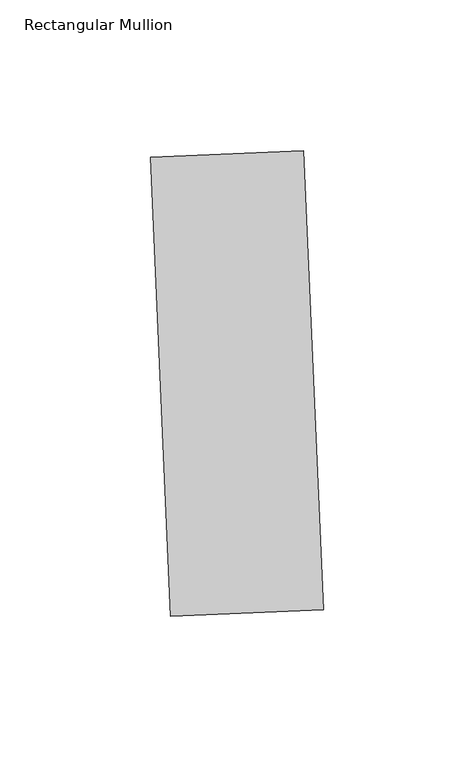
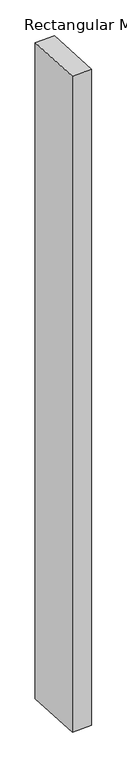
"""IFC4 building model written with IfcOpenShell, lengths in millimetres: member geometry, Rectangular Mullion."""

from ifc_helpers import new_model, si_unit, frame, origin, place, context, project, spatial, polyline, outline, extrude, source, transform, mapped, element, save


def rectangular_mullion_c6cbc346(model_context):
    return source(origin(), model_context, "Body", "SweptSolid", [
        extrude(outline(polyline([(30.7769955, -113.0742136), (-19.9746542, -115.2900785), (-26.6222488, 36.9648705), (24.1294008, 39.1807354), (30.7769955, -113.0742136)])), frame((0.0, 0.0, -1765.3), z_axis=(0.0, 0.0, 1.0), x_axis=(1.0, 0.0, 0.0)), (0.0, 0.0, 1.0), 1765.3),
    ])


if __name__ == "__main__":
    model = new_model("IFC4")
    model_context = context("Model", 3, world=origin())
    ifc_project = project(units=[si_unit("LENGTHUNIT", "METRE", prefix="MILLI")], contexts=[model_context])
    site = spatial("IfcSite", under=ifc_project)
    building = spatial("IfcBuilding", under=site)
    placement = place(None, origin())
    rectangular_mullion_shape = rectangular_mullion_c6cbc346(model_context)
    element("IfcMember", 1, ObjectType="Rectangular Mullion", at=placement, inside=building, context=model_context, shape_type="MappedRepresentation", body=[
        mapped(rectangular_mullion_shape, transform((0.0, 0.0, 0.0), x_axis=(1.0, 0.0, 0.0), y_axis=(0.0, 1.0, 0.0), z_axis=(0.0, 0.0, 1.0))),
    ])
    save(model, "model.ifc")
